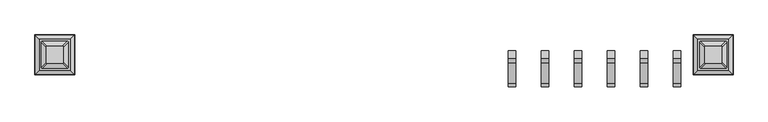
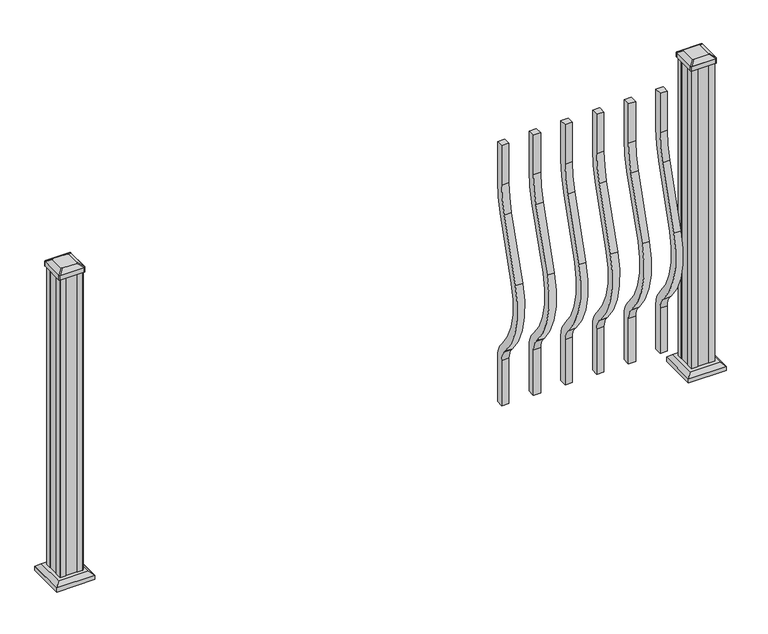
"""IFC4 building model written with IfcOpenShell, lengths in millimetres: railing geometry."""

from ifc_helpers import new_model, si_unit, point, frame, frame_2d, origin, origin_with_axes, place, context, project, spatial, polyline, circle_curve, trimmed, segment, composite_curve, outline, extrude, faceted_brep, source, transform, mapped, element, save
from ifc_brep_helpers import plane_surface, extruded_surface, advanced_brep


def railing_84480141(model_context):
    return source(origin(), model_context, "Body", "SolidModel", [
        extrude(outline(composite_curve([segment(trimmed(circle_curve(frame_2d((-49022.766414, 921.03216)), 372.7), [point((-48650.066414, 921.03216))], [point((-48666.3516315, 812.0652257))], False, "CARTESIAN"), True, "CONTINUOUS"), segment(polyline([(-48666.3516315, 812.0652257), (-48734.1789093, 590.2121964)]), True, "CONTINUOUS"), segment(trimmed(circle_curve(frame_2d((-48478.558648, 512.0612397)), 267.3), [point((-48734.1789093, 590.2121964))], [point((-48677.8736709, 333.9522516))], True, "CARTESIAN"), True, "CONTINUOUS"), segment(polyline([(-48677.8736709, 333.9522516), (-48672.3719976, 327.7955374)]), True, "CONTINUOUS"), segment(trimmed(circle_curve(frame_2d((-48737.766414, 269.3587313)), 87.7), [point((-48672.3719976, 327.7955374))], [point((-48650.066414, 269.3587313))], False, "CARTESIAN"), True, "CONTINUOUS"), segment(polyline([(-48650.066414, 269.3587313), (-48650.066414, 101.5958781), (-48675.466414, 101.5958781), (-48675.466414, 269.3587313)]), True, "CONTINUOUS"), segment(trimmed(circle_curve(frame_2d((-48737.766414, 269.3587313)), 62.3), [point((-48675.466414, 269.3587313))], [point((-48691.3117716, 310.8708524))], True, "CARTESIAN"), True, "CONTINUOUS"), segment(polyline([(-48691.3117716, 310.8708524), (-48696.8134448, 317.0275666)]), True, "CONTINUOUS"), segment(trimmed(circle_curve(frame_2d((-48478.558648, 512.0612397)), 292.7), [point((-48696.8134448, 317.0275666))], [point((-48758.4690501, 597.6384377))], False, "CARTESIAN"), True, "CONTINUOUS"), segment(polyline([(-48758.4690501, 597.6384377), (-48690.6417723, 819.491467)]), True, "CONTINUOUS"), segment(trimmed(circle_curve(frame_2d((-49022.766414, 921.03216)), 347.3), [point((-48690.6417723, 819.491467))], [point((-48675.466414, 921.03216))], True, "CARTESIAN"), True, "CONTINUOUS"), segment(polyline([(-48675.466414, 921.03216), (-48675.466414, 1066.8), (-48650.066414, 1066.8), (-48650.066414, 921.03216)]), True, "CONTINUOUS")], self_intersect=False)), frame((18325.4723713, 0.0, 0.0), z_axis=(1.0, 0.0, 0.0), x_axis=(0.0, 1.0, 0.0)), (0.0, 0.0, 1.0), 25.4),
        extrude(outline(composite_curve([segment(trimmed(circle_curve(frame_2d((-49022.766414, 921.03216)), 372.7), [point((-48650.066414, 921.03216))], [point((-48666.3516315, 812.0652257))], False, "CARTESIAN"), True, "CONTINUOUS"), segment(polyline([(-48666.3516315, 812.0652257), (-48734.1789093, 590.2121964)]), True, "CONTINUOUS"), segment(trimmed(circle_curve(frame_2d((-48478.558648, 512.0612397)), 267.3), [point((-48734.1789093, 590.2121964))], [point((-48677.8736709, 333.9522516))], True, "CARTESIAN"), True, "CONTINUOUS"), segment(polyline([(-48677.8736709, 333.9522516), (-48672.3719976, 327.7955374)]), True, "CONTINUOUS"), segment(trimmed(circle_curve(frame_2d((-48737.766414, 269.3587313)), 87.7), [point((-48672.3719976, 327.7955374))], [point((-48650.066414, 269.3587313))], False, "CARTESIAN"), True, "CONTINUOUS"), segment(polyline([(-48650.066414, 269.3587313), (-48650.066414, 101.5958781), (-48675.466414, 101.5958781), (-48675.466414, 269.3587313)]), True, "CONTINUOUS"), segment(trimmed(circle_curve(frame_2d((-48737.766414, 269.3587313)), 62.3), [point((-48675.466414, 269.3587313))], [point((-48691.3117716, 310.8708524))], True, "CARTESIAN"), True, "CONTINUOUS"), segment(polyline([(-48691.3117716, 310.8708524), (-48696.8134448, 317.0275666)]), True, "CONTINUOUS"), segment(trimmed(circle_curve(frame_2d((-48478.558648, 512.0612397)), 292.7), [point((-48696.8134448, 317.0275666))], [point((-48758.4690501, 597.6384377))], False, "CARTESIAN"), True, "CONTINUOUS"), segment(polyline([(-48758.4690501, 597.6384377), (-48690.6417723, 819.491467)]), True, "CONTINUOUS"), segment(trimmed(circle_curve(frame_2d((-49022.766414, 921.03216)), 347.3), [point((-48690.6417723, 819.491467))], [point((-48675.466414, 921.03216))], True, "CARTESIAN"), True, "CONTINUOUS"), segment(polyline([(-48675.466414, 921.03216), (-48675.466414, 1066.8), (-48650.066414, 1066.8), (-48650.066414, 921.03216)]), True, "CONTINUOUS")], self_intersect=False)), frame((18436.5973713, 0.0, 0.0), z_axis=(1.0, 0.0, 0.0), x_axis=(0.0, 1.0, 0.0)), (0.0, 0.0, 1.0), 25.4),
        extrude(outline(composite_curve([segment(trimmed(circle_curve(frame_2d((-49022.766414, 921.03216)), 372.7), [point((-48650.066414, 921.03216))], [point((-48666.3516315, 812.0652257))], False, "CARTESIAN"), True, "CONTINUOUS"), segment(polyline([(-48666.3516315, 812.0652257), (-48734.1789093, 590.2121964)]), True, "CONTINUOUS"), segment(trimmed(circle_curve(frame_2d((-48478.558648, 512.0612397)), 267.3), [point((-48734.1789093, 590.2121964))], [point((-48677.8736709, 333.9522516))], True, "CARTESIAN"), True, "CONTINUOUS"), segment(polyline([(-48677.8736709, 333.9522516), (-48672.3719976, 327.7955374)]), True, "CONTINUOUS"), segment(trimmed(circle_curve(frame_2d((-48737.766414, 269.3587313)), 87.7), [point((-48672.3719976, 327.7955374))], [point((-48650.066414, 269.3587313))], False, "CARTESIAN"), True, "CONTINUOUS"), segment(polyline([(-48650.066414, 269.3587313), (-48650.066414, 101.5958781), (-48675.466414, 101.5958781), (-48675.466414, 269.3587313)]), True, "CONTINUOUS"), segment(trimmed(circle_curve(frame_2d((-48737.766414, 269.3587313)), 62.3), [point((-48675.466414, 269.3587313))], [point((-48691.3117716, 310.8708524))], True, "CARTESIAN"), True, "CONTINUOUS"), segment(polyline([(-48691.3117716, 310.8708524), (-48696.8134448, 317.0275666)]), True, "CONTINUOUS"), segment(trimmed(circle_curve(frame_2d((-48478.558648, 512.0612397)), 292.7), [point((-48696.8134448, 317.0275666))], [point((-48758.4690501, 597.6384377))], False, "CARTESIAN"), True, "CONTINUOUS"), segment(polyline([(-48758.4690501, 597.6384377), (-48690.6417723, 819.491467)]), True, "CONTINUOUS"), segment(trimmed(circle_curve(frame_2d((-49022.766414, 921.03216)), 347.3), [point((-48690.6417723, 819.491467))], [point((-48675.466414, 921.03216))], True, "CARTESIAN"), True, "CONTINUOUS"), segment(polyline([(-48675.466414, 921.03216), (-48675.466414, 1066.8), (-48650.066414, 1066.8), (-48650.066414, 921.03216)]), True, "CONTINUOUS")], self_intersect=False)), frame((18547.7223713, 0.0, 0.0), z_axis=(1.0, 0.0, 0.0), x_axis=(0.0, 1.0, 0.0)), (0.0, 0.0, 1.0), 25.4),
        extrude(outline(composite_curve([segment(trimmed(circle_curve(frame_2d((-49022.766414, 921.03216)), 372.7), [point((-48650.066414, 921.03216))], [point((-48666.3516315, 812.0652257))], False, "CARTESIAN"), True, "CONTINUOUS"), segment(polyline([(-48666.3516315, 812.0652257), (-48734.1789093, 590.2121964)]), True, "CONTINUOUS"), segment(trimmed(circle_curve(frame_2d((-48478.558648, 512.0612397)), 267.3), [point((-48734.1789093, 590.2121964))], [point((-48677.8736709, 333.9522516))], True, "CARTESIAN"), True, "CONTINUOUS"), segment(polyline([(-48677.8736709, 333.9522516), (-48672.3719976, 327.7955374)]), True, "CONTINUOUS"), segment(trimmed(circle_curve(frame_2d((-48737.766414, 269.3587313)), 87.7), [point((-48672.3719976, 327.7955374))], [point((-48650.066414, 269.3587313))], False, "CARTESIAN"), True, "CONTINUOUS"), segment(polyline([(-48650.066414, 269.3587313), (-48650.066414, 101.5958781), (-48675.466414, 101.5958781), (-48675.466414, 269.3587313)]), True, "CONTINUOUS"), segment(trimmed(circle_curve(frame_2d((-48737.766414, 269.3587313)), 62.3), [point((-48675.466414, 269.3587313))], [point((-48691.3117716, 310.8708524))], True, "CARTESIAN"), True, "CONTINUOUS"), segment(polyline([(-48691.3117716, 310.8708524), (-48696.8134448, 317.0275666)]), True, "CONTINUOUS"), segment(trimmed(circle_curve(frame_2d((-48478.558648, 512.0612397)), 292.7), [point((-48696.8134448, 317.0275666))], [point((-48758.4690501, 597.6384377))], False, "CARTESIAN"), True, "CONTINUOUS"), segment(polyline([(-48758.4690501, 597.6384377), (-48690.6417723, 819.491467)]), True, "CONTINUOUS"), segment(trimmed(circle_curve(frame_2d((-49022.766414, 921.03216)), 347.3), [point((-48690.6417723, 819.491467))], [point((-48675.466414, 921.03216))], True, "CARTESIAN"), True, "CONTINUOUS"), segment(polyline([(-48675.466414, 921.03216), (-48675.466414, 1066.8), (-48650.066414, 1066.8), (-48650.066414, 921.03216)]), True, "CONTINUOUS")], self_intersect=False)), frame((18658.8473713, 0.0, 0.0), z_axis=(1.0, 0.0, 0.0), x_axis=(0.0, 1.0, 0.0)), (0.0, 0.0, 1.0), 25.4),
        extrude(outline(composite_curve([segment(trimmed(circle_curve(frame_2d((-49022.766414, 921.03216)), 372.7), [point((-48650.066414, 921.03216))], [point((-48666.3516315, 812.0652257))], False, "CARTESIAN"), True, "CONTINUOUS"), segment(polyline([(-48666.3516315, 812.0652257), (-48734.1789093, 590.2121964)]), True, "CONTINUOUS"), segment(trimmed(circle_curve(frame_2d((-48478.558648, 512.0612397)), 267.3), [point((-48734.1789093, 590.2121964))], [point((-48677.8736709, 333.9522516))], True, "CARTESIAN"), True, "CONTINUOUS"), segment(polyline([(-48677.8736709, 333.9522516), (-48672.3719976, 327.7955374)]), True, "CONTINUOUS"), segment(trimmed(circle_curve(frame_2d((-48737.766414, 269.3587313)), 87.7), [point((-48672.3719976, 327.7955374))], [point((-48650.066414, 269.3587313))], False, "CARTESIAN"), True, "CONTINUOUS"), segment(polyline([(-48650.066414, 269.3587313), (-48650.066414, 101.5958781), (-48675.466414, 101.5958781), (-48675.466414, 269.3587313)]), True, "CONTINUOUS"), segment(trimmed(circle_curve(frame_2d((-48737.766414, 269.3587313)), 62.3), [point((-48675.466414, 269.3587313))], [point((-48691.3117716, 310.8708524))], True, "CARTESIAN"), True, "CONTINUOUS"), segment(polyline([(-48691.3117716, 310.8708524), (-48696.8134448, 317.0275666)]), True, "CONTINUOUS"), segment(trimmed(circle_curve(frame_2d((-48478.558648, 512.0612397)), 292.7), [point((-48696.8134448, 317.0275666))], [point((-48758.4690501, 597.6384377))], False, "CARTESIAN"), True, "CONTINUOUS"), segment(polyline([(-48758.4690501, 597.6384377), (-48690.6417723, 819.491467)]), True, "CONTINUOUS"), segment(trimmed(circle_curve(frame_2d((-49022.766414, 921.03216)), 347.3), [point((-48690.6417723, 819.491467))], [point((-48675.466414, 921.03216))], True, "CARTESIAN"), True, "CONTINUOUS"), segment(polyline([(-48675.466414, 921.03216), (-48675.466414, 1066.8), (-48650.066414, 1066.8), (-48650.066414, 921.03216)]), True, "CONTINUOUS")], self_intersect=False)), frame((18769.9723713, 0.0, 0.0), z_axis=(1.0, 0.0, 0.0), x_axis=(0.0, 1.0, 0.0)), (0.0, 0.0, 1.0), 25.4),
        extrude(outline(composite_curve([segment(trimmed(circle_curve(frame_2d((-49022.766414, 921.03216)), 372.7), [point((-48650.066414, 921.03216))], [point((-48666.3516315, 812.0652257))], False, "CARTESIAN"), True, "CONTINUOUS"), segment(polyline([(-48666.3516315, 812.0652257), (-48734.1789093, 590.2121964)]), True, "CONTINUOUS"), segment(trimmed(circle_curve(frame_2d((-48478.558648, 512.0612397)), 267.3), [point((-48734.1789093, 590.2121964))], [point((-48677.8736709, 333.9522516))], True, "CARTESIAN"), True, "CONTINUOUS"), segment(polyline([(-48677.8736709, 333.9522516), (-48672.3719976, 327.7955374)]), True, "CONTINUOUS"), segment(trimmed(circle_curve(frame_2d((-48737.766414, 269.3587313)), 87.7), [point((-48672.3719976, 327.7955374))], [point((-48650.066414, 269.3587313))], False, "CARTESIAN"), True, "CONTINUOUS"), segment(polyline([(-48650.066414, 269.3587313), (-48650.066414, 101.5958781), (-48675.466414, 101.5958781), (-48675.466414, 269.3587313)]), True, "CONTINUOUS"), segment(trimmed(circle_curve(frame_2d((-48737.766414, 269.3587313)), 62.3), [point((-48675.466414, 269.3587313))], [point((-48691.3117716, 310.8708524))], True, "CARTESIAN"), True, "CONTINUOUS"), segment(polyline([(-48691.3117716, 310.8708524), (-48696.8134448, 317.0275666)]), True, "CONTINUOUS"), segment(trimmed(circle_curve(frame_2d((-48478.558648, 512.0612397)), 292.7), [point((-48696.8134448, 317.0275666))], [point((-48758.4690501, 597.6384377))], False, "CARTESIAN"), True, "CONTINUOUS"), segment(polyline([(-48758.4690501, 597.6384377), (-48690.6417723, 819.491467)]), True, "CONTINUOUS"), segment(trimmed(circle_curve(frame_2d((-49022.766414, 921.03216)), 347.3), [point((-48690.6417723, 819.491467))], [point((-48675.466414, 921.03216))], True, "CARTESIAN"), True, "CONTINUOUS"), segment(polyline([(-48675.466414, 921.03216), (-48675.466414, 1066.8), (-48650.066414, 1066.8), (-48650.066414, 921.03216)]), True, "CONTINUOUS")], self_intersect=False)), frame((18881.0973713, 0.0, 0.0), z_axis=(1.0, 0.0, 0.0), x_axis=(0.0, 1.0, 0.0)), (0.0, 0.0, 1.0), 25.4),
        faceted_brep([(16852.4708088, -48715.3523515, 28.575), (16852.4708088, -48610.1804765, 28.575), (16747.2989338, -48610.1804765, 28.575), (16747.2989338, -48715.3523515, 28.575), (16866.510262, -48729.3918046, 15.24), (16733.2594807, -48729.3918046, 15.24), (16733.2594807, -48596.1410234, 15.24), (16866.510262, -48596.1410234, 15.24)], [[[0, 1, 2, 3]], [[4, 5, 6, 7]], [[4, 7, 1, 0]], [[7, 6, 2, 1]], [[6, 5, 3, 2]], [[5, 4, 0, 3]]]),
        extrude(outline(polyline([(16866.510262, -48729.3918046), (16733.2594807, -48729.3918046), (16733.2594807, -48596.1410234), (16866.510262, -48596.1410234), (16866.510262, -48729.3918046)])), origin_with_axes(), (0.0, 0.0, 1.0), 15.24),
        advanced_brep(
        [(16828.8567463, -48636.969539, 1165.225), (16825.6817463, -48633.794539, 1165.225), (16774.0879963, -48633.794539, 1165.225), (16770.9129963, -48636.969539, 1165.225), (16770.9129963, -48688.563289, 1165.225), (16774.0879963, -48691.738289, 1165.225), (16825.6817463, -48691.738289, 1165.225), (16828.8567463, -48688.563289, 1165.225), (16845.1286213, -48620.697664, 1153.922), (16845.1286213, -48704.835164, 1153.922), (16841.9536213, -48708.010164, 1153.922), (16757.8161213, -48708.010164, 1153.922), (16754.6411213, -48704.835164, 1153.922), (16754.6411213, -48620.697664, 1153.922), (16757.8161213, -48617.522664, 1153.922), (16841.9536213, -48617.522664, 1153.922)],
        [
            (0, 1, circle_curve(frame((16825.6817463, -48636.969539, 1165.225), z_axis=(0.0, 0.0, 1.0), x_axis=(-1.0, 0.0, 0.0)), 3.175)),
            (1, 2),
            (2, 3, circle_curve(frame((16774.0879963, -48636.969539, 1165.225), z_axis=(0.0, 0.0, 1.0), x_axis=(-1.0, 0.0, 0.0)), 3.175)),
            (3, 4),
            (4, 5, circle_curve(frame((16774.0879963, -48688.563289, 1165.225), z_axis=(0.0, 0.0, 1.0), x_axis=(-1.0, 0.0, 0.0)), 3.175)),
            (5, 6),
            (6, 7, circle_curve(frame((16825.6817463, -48688.563289, 1165.225), z_axis=(0.0, 0.0, 1.0), x_axis=(-1.0, 0.0, 0.0)), 3.175)),
            (7, 0),
            (8, 9),
            (9, 10, circle_curve(frame((16841.9536213, -48704.835164, 1153.922), z_axis=(0.0, 0.0, -1.0), x_axis=(-1.0, 0.0, 0.0)), 3.175)),
            (10, 11),
            (11, 12, circle_curve(frame((16757.8161213, -48704.835164, 1153.922), z_axis=(0.0, 0.0, -1.0), x_axis=(-1.0, 0.0, 0.0)), 3.175)),
            (12, 13),
            (13, 14, circle_curve(frame((16757.8161213, -48620.697664, 1153.922), z_axis=(0.0, 0.0, -1.0), x_axis=(-1.0, 0.0, 0.0)), 3.175)),
            (14, 15),
            (15, 8, circle_curve(frame((16841.9536213, -48620.697664, 1153.922), z_axis=(0.0, 0.0, -1.0), x_axis=(-1.0, 0.0, 0.0)), 3.175)),
            (15, 1),
            (0, 8),
            (14, 2),
            (13, 3),
            (12, 4),
            (11, 5),
            (10, 6),
            (9, 7),
        ],
        [
            plane_surface(frame((16799.8848713, -48662.766414, 1165.225), z_axis=(0.0, 0.0, 1.0), x_axis=(0.0, 1.0, 0.0))),
            plane_surface(frame((16799.8848713, -48662.766414, 1153.922), z_axis=(0.0, 0.0, -1.0), x_axis=(0.0, 1.0, 0.0))),
            extruded_surface(trimmed(circle_curve(frame((16841.9536213, -48620.697664, 1153.922), z_axis=(0.0, 0.0, 1.0), x_axis=(-1.0, 0.0, 0.0)), 3.175), [point((16845.1286213, -48620.697664, 1153.922))], [point((16841.9536213, -48617.522664, 1153.922))], True, "CARTESIAN"), (-16.271874999998545, -16.271874999998545, 11.302999999999884), 25.637972638864262),
            plane_surface(frame((16799.8848713, -48617.522664, 1153.922), z_axis=(0.0, 0.5705009161540777, 0.8212969649690409), x_axis=(-1.0, 0.0, 0.0))),
            extruded_surface(trimmed(circle_curve(frame((16757.8161213, -48620.697664, 1153.922), z_axis=(0.0, 0.0, 1.0), x_axis=(-1.0, 0.0, 0.0)), 3.175), [point((16757.8161213, -48617.522664, 1153.922))], [point((16754.6411213, -48620.697664, 1153.922))], True, "CARTESIAN"), (16.271875000002183, -16.271874999998545, 11.302999999999884), 25.637972638866575),
            plane_surface(frame((16754.6411213, -48662.766414, 1153.922), z_axis=(-0.5705009161540291, 0.0, 0.8212969649690747), x_axis=(0.0, -1.0, 0.0))),
            extruded_surface(trimmed(circle_curve(frame((16757.8161213, -48704.835164, 1153.922), z_axis=(0.0, 0.0, 1.0), x_axis=(-1.0, 0.0, 0.0)), 3.175), [point((16754.6411213, -48704.835164, 1153.922))], [point((16757.8161213, -48708.010164, 1153.922))], True, "CARTESIAN"), (16.271875000002183, 16.271874999998545, 11.302999999999884), 25.637972638866575),
            plane_surface(frame((16799.8848713, -48708.010164, 1153.922), z_axis=(0.0, -0.5705009161540143, 0.821296964969085), x_axis=(1.0, 0.0, 0.0))),
            extruded_surface(trimmed(circle_curve(frame((16841.9536213, -48704.835164, 1153.922), z_axis=(0.0, 0.0, 1.0), x_axis=(-1.0, 0.0, 0.0)), 3.175), [point((16841.9536213, -48708.010164, 1153.922))], [point((16845.1286213, -48704.835164, 1153.922))], True, "CARTESIAN"), (-16.271874999998545, 16.271874999998545, 11.302999999999884), 25.637972638864262),
            plane_surface(frame((16845.1286213, -48662.766414, 1153.922), z_axis=(0.570500916154034, 0.0, 0.8212969649690713), x_axis=(0.0, 1.0, 0.0))),
        ],
        [
            (0, [[1, 2, 3, 4, 5, 6, 7, 8]]),
            (1, [[9, 10, 11, 12, 13, 14, 15, 16]]),
            (2, [[-16, 17, -1, 18]]),
            (3, [[-15, 19, -2, -17]]),
            (4, [[-14, 20, -3, -19]]),
            (5, [[-13, 21, -4, -20]]),
            (6, [[-12, 22, -5, -21]]),
            (7, [[-11, 23, -6, -22]]),
            (8, [[-10, 24, -7, -23]]),
            (9, [[-9, -18, -8, -24]]),
        ],
    ),
        extrude(outline(composite_curve([segment(polyline([(16845.1286213, -48620.697664), (16845.1286213, -48704.835164)]), True, "CONTINUOUS"), segment(trimmed(circle_curve(frame_2d((16841.9536213, -48704.835164)), 3.175), [point((16845.1286213, -48704.835164))], [point((16841.9536213, -48708.010164))], False, "CARTESIAN"), True, "CONTINUOUS"), segment(polyline([(16841.9536213, -48708.010164), (16757.8161213, -48708.010164)]), True, "CONTINUOUS"), segment(trimmed(circle_curve(frame_2d((16757.8161213, -48704.835164)), 3.175), [point((16757.8161213, -48708.010164))], [point((16754.6411213, -48704.835164))], False, "CARTESIAN"), True, "CONTINUOUS"), segment(polyline([(16754.6411213, -48704.835164), (16754.6411213, -48620.697664)]), True, "CONTINUOUS"), segment(trimmed(circle_curve(frame_2d((16757.8161213, -48620.697664)), 3.175), [point((16754.6411213, -48620.697664))], [point((16757.8161213, -48617.522664))], False, "CARTESIAN"), True, "CONTINUOUS"), segment(polyline([(16757.8161213, -48617.522664), (16841.9536213, -48617.522664)]), True, "CONTINUOUS"), segment(trimmed(circle_curve(frame_2d((16841.9536213, -48620.697664)), 3.175), [point((16841.9536213, -48617.522664))], [point((16845.1286213, -48620.697664))], False, "CARTESIAN"), True, "CONTINUOUS")], self_intersect=False)), frame((0.0, 0.0, 1136.65), z_axis=(0.0, 0.0, 1.0), x_axis=(1.0, 0.0, 0.0)), (0.0, 0.0, 1.0), 17.272),
        extrude(outline(polyline([(16841.1598713, -48623.078914), (16841.1598713, -48642.700414), (16839.5723713, -48643.462414), (16839.5723713, -48682.070414), (16841.1598713, -48682.832414), (16841.1598713, -48702.453914), (16839.5723713, -48704.041414), (16819.9508713, -48704.041414), (16819.1888713, -48702.453914), (16780.5808713, -48702.453914), (16779.8188713, -48704.041414), (16760.1973713, -48704.041414), (16758.6098713, -48702.453914), (16758.6098713, -48682.832414), (16760.1973713, -48682.070414), (16760.1973713, -48643.462414), (16758.6098713, -48642.700414), (16758.6098713, -48623.078914), (16760.1973713, -48621.491414), (16779.8188713, -48621.491414), (16780.5808713, -48623.078914), (16819.1888713, -48623.078914), (16819.9508713, -48621.491414), (16839.5723713, -48621.491414), (16841.1598713, -48623.078914)])), origin_with_axes(), (0.0, 0.0, 1.0), 1136.65),
        faceted_brep([(19068.6208088, -48715.3523515, 28.575), (19068.6208088, -48610.1804765, 28.575), (18963.4489338, -48610.1804765, 28.575), (18963.4489338, -48715.3523515, 28.575), (19082.660262, -48729.3918046, 15.24), (18949.4094807, -48729.3918046, 15.24), (18949.4094807, -48596.1410234, 15.24), (19082.660262, -48596.1410234, 15.24)], [[[0, 1, 2, 3]], [[4, 5, 6, 7]], [[4, 7, 1, 0]], [[7, 6, 2, 1]], [[6, 5, 3, 2]], [[5, 4, 0, 3]]]),
        extrude(outline(polyline([(19082.660262, -48729.3918046), (18949.4094807, -48729.3918046), (18949.4094807, -48596.1410234), (19082.660262, -48596.1410234), (19082.660262, -48729.3918046)])), origin_with_axes(), (0.0, 0.0, 1.0), 15.24),
        advanced_brep(
        [(19045.0067463, -48636.969539, 1165.225), (19041.8317463, -48633.794539, 1165.225), (18990.2379963, -48633.794539, 1165.225), (18987.0629963, -48636.969539, 1165.225), (18987.0629963, -48688.563289, 1165.225), (18990.2379963, -48691.738289, 1165.225), (19041.8317463, -48691.738289, 1165.225), (19045.0067463, -48688.563289, 1165.225), (19061.2786213, -48620.697664, 1153.922), (19061.2786213, -48704.835164, 1153.922), (19058.1036213, -48708.010164, 1153.922), (18973.9661213, -48708.010164, 1153.922), (18970.7911213, -48704.835164, 1153.922), (18970.7911213, -48620.697664, 1153.922), (18973.9661213, -48617.522664, 1153.922), (19058.1036213, -48617.522664, 1153.922)],
        [
            (0, 1, circle_curve(frame((19041.8317463, -48636.969539, 1165.225), z_axis=(0.0, 0.0, 1.0), x_axis=(-1.0, 0.0, 0.0)), 3.175)),
            (1, 2),
            (2, 3, circle_curve(frame((18990.2379963, -48636.969539, 1165.225), z_axis=(0.0, 0.0, 1.0), x_axis=(-1.0, 0.0, 0.0)), 3.175)),
            (3, 4),
            (4, 5, circle_curve(frame((18990.2379963, -48688.563289, 1165.225), z_axis=(0.0, 0.0, 1.0), x_axis=(-1.0, 0.0, 0.0)), 3.175)),
            (5, 6),
            (6, 7, circle_curve(frame((19041.8317463, -48688.563289, 1165.225), z_axis=(0.0, 0.0, 1.0), x_axis=(-1.0, 0.0, 0.0)), 3.175)),
            (7, 0),
            (8, 9),
            (9, 10, circle_curve(frame((19058.1036213, -48704.835164, 1153.922), z_axis=(0.0, 0.0, -1.0), x_axis=(-1.0, 0.0, 0.0)), 3.175)),
            (10, 11),
            (11, 12, circle_curve(frame((18973.9661213, -48704.835164, 1153.922), z_axis=(0.0, 0.0, -1.0), x_axis=(-1.0, 0.0, 0.0)), 3.175)),
            (12, 13),
            (13, 14, circle_curve(frame((18973.9661213, -48620.697664, 1153.922), z_axis=(0.0, 0.0, -1.0), x_axis=(-1.0, 0.0, 0.0)), 3.175)),
            (14, 15),
            (15, 8, circle_curve(frame((19058.1036213, -48620.697664, 1153.922), z_axis=(0.0, 0.0, -1.0), x_axis=(-1.0, 0.0, 0.0)), 3.175)),
            (15, 1),
            (0, 8),
            (14, 2),
            (13, 3),
            (12, 4),
            (11, 5),
            (10, 6),
            (9, 7),
        ],
        [
            plane_surface(frame((19016.0348713, -48662.766414, 1165.225), z_axis=(0.0, 0.0, 1.0), x_axis=(0.0, 1.0, 0.0))),
            plane_surface(frame((19016.0348713, -48662.766414, 1153.922), z_axis=(0.0, 0.0, -1.0), x_axis=(0.0, 1.0, 0.0))),
            extruded_surface(trimmed(circle_curve(frame((19058.1036213, -48620.697664, 1153.922), z_axis=(0.0, 0.0, 1.0), x_axis=(-1.0, 0.0, 0.0)), 3.175), [point((19061.2786213, -48620.697664, 1153.922))], [point((19058.1036213, -48617.522664, 1153.922))], True, "CARTESIAN"), (-16.271875000002183, -16.271874999998545, 11.302999999999884), 25.637972638866575),
            plane_surface(frame((19016.0348713, -48617.522664, 1153.922), z_axis=(0.0, 0.5705009161540777, 0.8212969649690409), x_axis=(-1.0, 0.0, 0.0))),
            extruded_surface(trimmed(circle_curve(frame((18973.9661213, -48620.697664, 1153.922), z_axis=(0.0, 0.0, 1.0), x_axis=(-1.0, 0.0, 0.0)), 3.175), [point((18973.9661213, -48617.522664, 1153.922))], [point((18970.7911213, -48620.697664, 1153.922))], True, "CARTESIAN"), (16.271874999998545, -16.271874999998545, 11.302999999999884), 25.637972638864262),
            plane_surface(frame((18970.7911213, -48662.766414, 1153.922), z_axis=(-0.5705009161540291, 0.0, 0.8212969649690747), x_axis=(0.0, -1.0, 0.0))),
            extruded_surface(trimmed(circle_curve(frame((18973.9661213, -48704.835164, 1153.922), z_axis=(0.0, 0.0, 1.0), x_axis=(-1.0, 0.0, 0.0)), 3.175), [point((18970.7911213, -48704.835164, 1153.922))], [point((18973.9661213, -48708.010164, 1153.922))], True, "CARTESIAN"), (16.271874999998545, 16.271874999998545, 11.302999999999884), 25.637972638864262),
            plane_surface(frame((19016.0348713, -48708.010164, 1153.922), z_axis=(0.0, -0.5705009161540143, 0.821296964969085), x_axis=(1.0, 0.0, 0.0))),
            extruded_surface(trimmed(circle_curve(frame((19058.1036213, -48704.835164, 1153.922), z_axis=(0.0, 0.0, 1.0), x_axis=(-1.0, 0.0, 0.0)), 3.175), [point((19058.1036213, -48708.010164, 1153.922))], [point((19061.2786213, -48704.835164, 1153.922))], True, "CARTESIAN"), (-16.271875000002183, 16.271874999998545, 11.302999999999884), 25.637972638866575),
            plane_surface(frame((19061.2786213, -48662.766414, 1153.922), z_axis=(0.570500916154034, 0.0, 0.8212969649690713), x_axis=(0.0, 1.0, 0.0))),
        ],
        [
            (0, [[1, 2, 3, 4, 5, 6, 7, 8]]),
            (1, [[9, 10, 11, 12, 13, 14, 15, 16]]),
            (2, [[-16, 17, -1, 18]]),
            (3, [[-15, 19, -2, -17]]),
            (4, [[-14, 20, -3, -19]]),
            (5, [[-13, 21, -4, -20]]),
            (6, [[-12, 22, -5, -21]]),
            (7, [[-11, 23, -6, -22]]),
            (8, [[-10, 24, -7, -23]]),
            (9, [[-9, -18, -8, -24]]),
        ],
    ),
        extrude(outline(composite_curve([segment(polyline([(19061.2786213, -48620.697664), (19061.2786213, -48704.835164)]), True, "CONTINUOUS"), segment(trimmed(circle_curve(frame_2d((19058.1036213, -48704.835164)), 3.175), [point((19061.2786213, -48704.835164))], [point((19058.1036213, -48708.010164))], False, "CARTESIAN"), True, "CONTINUOUS"), segment(polyline([(19058.1036213, -48708.010164), (18973.9661213, -48708.010164)]), True, "CONTINUOUS"), segment(trimmed(circle_curve(frame_2d((18973.9661213, -48704.835164)), 3.175), [point((18973.9661213, -48708.010164))], [point((18970.7911213, -48704.835164))], False, "CARTESIAN"), True, "CONTINUOUS"), segment(polyline([(18970.7911213, -48704.835164), (18970.7911213, -48620.697664)]), True, "CONTINUOUS"), segment(trimmed(circle_curve(frame_2d((18973.9661213, -48620.697664)), 3.175), [point((18970.7911213, -48620.697664))], [point((18973.9661213, -48617.522664))], False, "CARTESIAN"), True, "CONTINUOUS"), segment(polyline([(18973.9661213, -48617.522664), (19058.1036213, -48617.522664)]), True, "CONTINUOUS"), segment(trimmed(circle_curve(frame_2d((19058.1036213, -48620.697664)), 3.175), [point((19058.1036213, -48617.522664))], [point((19061.2786213, -48620.697664))], False, "CARTESIAN"), True, "CONTINUOUS")], self_intersect=False)), frame((0.0, 0.0, 1136.65), z_axis=(0.0, 0.0, 1.0), x_axis=(1.0, 0.0, 0.0)), (0.0, 0.0, 1.0), 17.272),
        extrude(outline(polyline([(19057.3098713, -48623.078914), (19057.3098713, -48642.700414), (19055.7223713, -48643.462414), (19055.7223713, -48682.070414), (19057.3098713, -48682.832414), (19057.3098713, -48702.453914), (19055.7223713, -48704.041414), (19036.1008713, -48704.041414), (19035.3388713, -48702.453914), (18996.7308713, -48702.453914), (18995.9688713, -48704.041414), (18976.3473713, -48704.041414), (18974.7598713, -48702.453914), (18974.7598713, -48682.832414), (18976.3473713, -48682.070414), (18976.3473713, -48643.462414), (18974.7598713, -48642.700414), (18974.7598713, -48623.078914), (18976.3473713, -48621.491414), (18995.9688713, -48621.491414), (18996.7308713, -48623.078914), (19035.3388713, -48623.078914), (19036.1008713, -48621.491414), (19055.7223713, -48621.491414), (19057.3098713, -48623.078914)])), origin_with_axes(), (0.0, 0.0, 1.0), 1136.65),
    ])


if __name__ == "__main__":
    model = new_model("IFC4")
    model_context = context("Model", 3, world=origin())
    ifc_project = project(units=[si_unit("LENGTHUNIT", "METRE", prefix="MILLI")], contexts=[model_context])
    site = spatial("IfcSite", under=ifc_project)
    building = spatial("IfcBuilding", under=site)
    placement = place(None, origin())
    railing_shape = railing_84480141(model_context)
    element("IfcRailing", 1, at=placement, inside=building, context=model_context, shape_type="MappedRepresentation", body=[
        mapped(railing_shape, transform((0.0, 0.0, 0.0), x_axis=(1.0, 0.0, 0.0), y_axis=(0.0, 1.0, 0.0), z_axis=(0.0, 0.0, 1.0))),
    ])
    save(model, "model.ifc")
